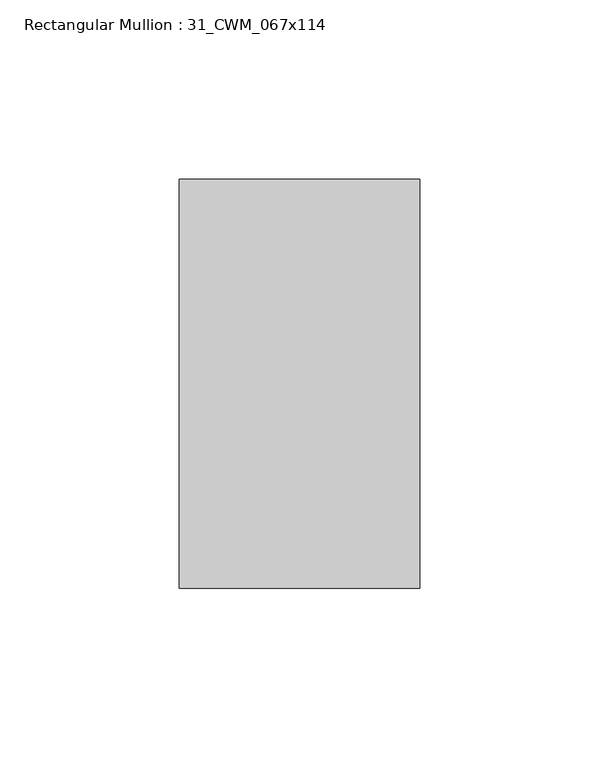
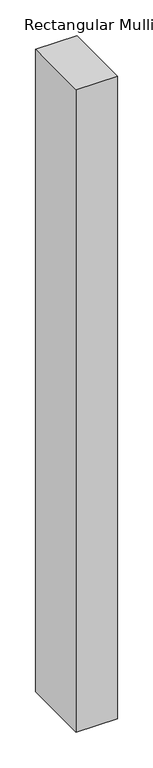
"""IFC4 building model written with IfcOpenShell, lengths in millimetres: member geometry, Rectangular Mullion : 31_CWM_067x114."""

from ifc_helpers import new_model, si_unit, frame, origin, place, context, project, spatial, polyline, outline, extrude, source, transform, mapped, element, save


def rectangular_mullion_31_cwm_067x114_33b57665(model_context):
    return source(origin(), model_context, "Body", "SweptSolid", [
        extrude(outline(polyline([(33.5, 0.0), (33.5, -114.0), (-33.5, -114.0), (-33.5, 0.0), (33.5, 0.0)])), frame((0.0, 0.0, -1100.0), z_axis=(0.0, 0.0, 1.0), x_axis=(1.0, 0.0, 0.0)), (0.0, 0.0, 1.0), 1100.0),
    ])


if __name__ == "__main__":
    model = new_model("IFC4")
    model_context = context("Model", 3, world=origin())
    ifc_project = project(units=[si_unit("LENGTHUNIT", "METRE", prefix="MILLI")], contexts=[model_context])
    site = spatial("IfcSite", under=ifc_project)
    building = spatial("IfcBuilding", under=site)
    placement = place(None, origin())
    rectangular_mullion_31_cwm_067x114_shape = rectangular_mullion_31_cwm_067x114_33b57665(model_context)
    element("IfcMember", 1, ObjectType="Rectangular Mullion : 31_CWM_067x114", at=placement, inside=building, context=model_context, shape_type="MappedRepresentation", body=[
        mapped(rectangular_mullion_31_cwm_067x114_shape, transform((0.0, 0.0, 0.0), x_axis=(1.0, 0.0, 0.0), y_axis=(0.0, 1.0, 0.0), z_axis=(0.0, 0.0, 1.0))),
    ])
    save(model, "model.ifc")
